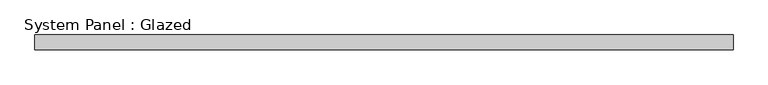
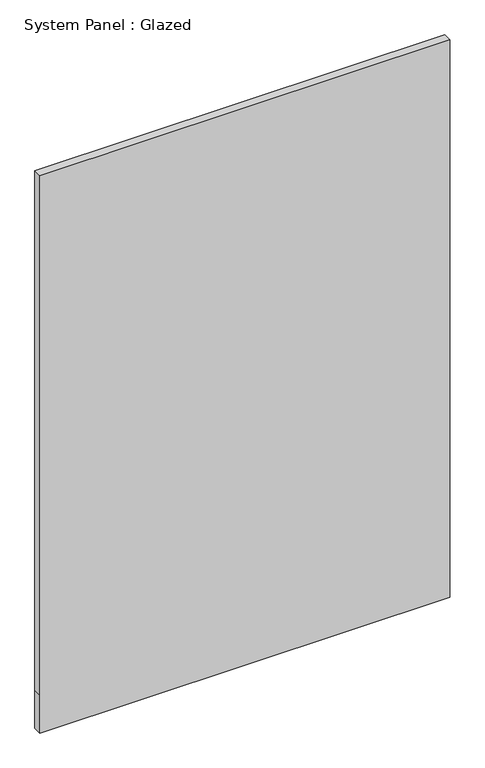
"""IFC4 building model written with IfcOpenShell, lengths in millimetres: plate geometry, System Panel : Glazed."""

from ifc_helpers import new_model, si_unit, frame, origin, place, context, project, spatial, polyline, outline, extrude, source, transform, mapped, element, save


def system_panel_glazed_23d6e4f3(model_context):
    return source(origin(), model_context, "Body", "SweptSolid", [
        extrude(outline(polyline([(0.0, -587.5), (0.0, 587.5), (115.0, 587.5), (1690.0, 587.5), (1690.0, -587.5), (115.0, -587.5), (0.0, -587.5)])), frame((0.0, -49.5, 0.0), z_axis=(0.0, 1.0, 0.0), x_axis=(0.0, 0.0, 1.0)), (0.0, 0.0, 1.0), 25.0),
    ])


if __name__ == "__main__":
    model = new_model("IFC4")
    model_context = context("Model", 3, world=origin())
    ifc_project = project(units=[si_unit("LENGTHUNIT", "METRE", prefix="MILLI")], contexts=[model_context])
    site = spatial("IfcSite", under=ifc_project)
    building = spatial("IfcBuilding", under=site)
    placement = place(None, origin())
    system_panel_glazed_shape = system_panel_glazed_23d6e4f3(model_context)
    element("IfcPlate", 1, ObjectType="System Panel : Glazed", at=placement, inside=building, context=model_context, shape_type="MappedRepresentation", body=[
        mapped(system_panel_glazed_shape, transform((0.0, 0.0, 0.0), x_axis=(1.0, 0.0, 0.0), y_axis=(0.0, 1.0, 0.0), z_axis=(0.0, 0.0, 1.0))),
    ])
    save(model, "model.ifc")
